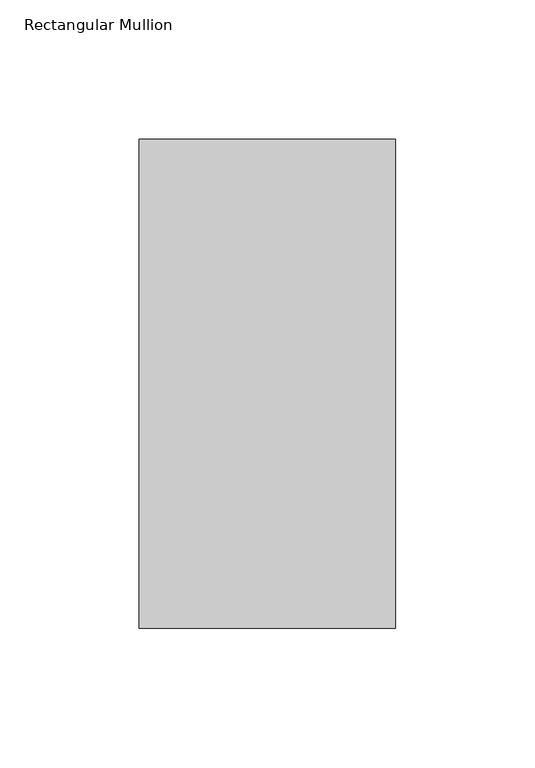
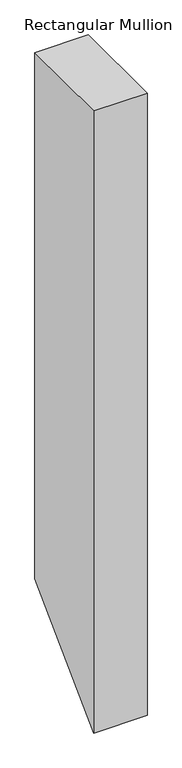
"""IFC4 building model written with IfcOpenShell, lengths in millimetres: member geometry, Rectangular Mullion."""

import ifcopenshell
import ifcopenshell.guid

model = None  # the IFC model being written
_history = None  # IfcOwnerHistory: only IFC2X3 demands one
_inside = {}  # id of a spatial element -> (the spatial element, [elements in it])
_under = {}  # id of a project, library or spatial element -> (it, [spatial elements below it])
_declared = {}  # id of a project -> (the project, [libraries it declares])
_typed = {}  # id of a type object -> (the type object, [elements of that type])
_made_of = {}  # id of a material, layer set ... -> (it, [elements and type objects made of it])


def new_model(schema):
    """Start an empty IFC model of exactly this schema.

    Asked for "IFC4X3", IfcOpenShell would pick the latest addendum, in which some entities
    have other attributes; the version numbers below select the first issue.
    IFC2X3 requires an IfcOwnerHistory on every rooted entity: one is made here for all.
    """
    global model, _history
    if schema == "IFC4X3":
        model = ifcopenshell.file(schema_version=(4, 3, 0, 0))
    else:
        model = ifcopenshell.file(schema=schema)
    _inside.clear()
    _under.clear()
    _declared.clear()
    _typed.clear()
    _made_of.clear()
    _history = None
    if model.schema == "IFC2X3":
        org = make("IfcOrganization", Name="unknown")
        user = make(
            "IfcPersonAndOrganization",
            ThePerson=make("IfcPerson", FamilyName="unknown"),
            TheOrganization=org,
        )
        app = make(
            "IfcApplication",
            ApplicationDeveloper=org,
            Version="unknown",
            ApplicationFullName="unknown",
            ApplicationIdentifier="unknown",
        )
        _history = make(
            "IfcOwnerHistory",
            OwningUser=user,
            OwningApplication=app,
            ChangeAction="ADDED",
            CreationDate=0,
        )
    return model


def make(cls, **values):
    """One entity of the class cls with the attributes given. An attribute that is None is left unset."""
    return model.create_entity(
        cls, **{name: value for name, value in values.items() if value is not None}
    )


def rooted(cls, **values):
    """An entity with a GlobalId (a new one), such as an element, a storey or a relation."""
    return make(cls, GlobalId=ifcopenshell.guid.new(), OwnerHistory=_history, **values)


def si_unit(unit_type, name, prefix=None):
    """IfcSIUnit, for example si_unit("LENGTHUNIT", "METRE", prefix="MILLI")."""
    return make("IfcSIUnit", UnitType=unit_type, Prefix=prefix, Name=name)


def assignment(units):
    """IfcUnitAssignment: the units of a project."""
    return None if units is None else make("IfcUnitAssignment", Units=units)


def point(xyz):
    """IfcCartesianPoint."""
    return None if xyz is None else make("IfcCartesianPoint", Coordinates=xyz)


def direction(xyz):
    """IfcDirection."""
    return None if xyz is None else make("IfcDirection", DirectionRatios=xyz)


def frame(location, z_axis=None, x_axis=None):
    """IfcAxis2Placement3D, a coordinate frame: its origin and axes. An axis left out is left unset."""
    return make(
        "IfcAxis2Placement3D",
        Location=point(location),
        Axis=direction(z_axis),
        RefDirection=direction(x_axis),
    )


def origin():
    """The frame at (0, 0, 0) with its axes left unset."""
    return frame((0.0, 0.0, 0.0))


def place(relative_to, where):
    """IfcLocalPlacement: puts the frame where relative to a parent placement (None: the world)."""
    return make(
        "IfcLocalPlacement", PlacementRelTo=relative_to, RelativePlacement=where
    )


def context(
    kind, dimensions, precision=None, world=None, true_north=None, identifier=None
):
    """IfcGeometricRepresentationContext, for example the 3D "Model" context."""
    return make(
        "IfcGeometricRepresentationContext",
        ContextIdentifier=identifier,
        ContextType=kind,
        CoordinateSpaceDimension=dimensions,
        Precision=precision,
        WorldCoordinateSystem=world,
        TrueNorth=true_north,
    )


def project(units=None, contexts=None):
    """IfcProject with its units and contexts."""
    return rooted(
        "IfcProject",
        Name="project",
        RepresentationContexts=contexts,
        UnitsInContext=assignment(units),
    )


def spatial(cls, under=None, at=None, **own):
    """A site, building, storey or space (cls), placed at a placement, below another one or the project."""
    s = rooted(cls, ObjectPlacement=at, **own)
    if under is not None:
        _under.setdefault(under.id(), (under, []))[1].append(s)
    return s


def polyline(points):
    """IfcPolyline through the points."""
    return make("IfcPolyline", Points=[point(p) for p in points])


def outline(outer, holes=None, kind="AREA"):
    """IfcArbitraryClosedProfileDef: a profile drawn as a closed curve; with holes, ...WithVoids."""
    if holes is None:
        return make("IfcArbitraryClosedProfileDef", ProfileType=kind, OuterCurve=outer)
    return make(
        "IfcArbitraryProfileDefWithVoids",
        ProfileType=kind,
        OuterCurve=outer,
        InnerCurves=holes,
    )


def extrude(swept, where, along, depth):
    """IfcExtrudedAreaSolid: the profile swept, set in the frame where, extruded along a direction by depth."""
    return make(
        "IfcExtrudedAreaSolid",
        SweptArea=swept,
        Position=where,
        ExtrudedDirection=direction(along),
        Depth=depth,
    )


def shape(context_of_items, identifier, shape_type, items):
    """IfcShapeRepresentation: the items that make up one representation, for example the "Body"."""
    return make(
        "IfcShapeRepresentation",
        ContextOfItems=context_of_items,
        RepresentationIdentifier=identifier,
        RepresentationType=shape_type,
        Items=items,
    )


def source(mapping_origin, context_of_items, identifier, shape_type, items):
    """IfcRepresentationMap: a shape defined once, which mapped items show again and again."""
    return make(
        "IfcRepresentationMap",
        MappingOrigin=mapping_origin,
        MappedRepresentation=shape(context_of_items, identifier, shape_type, items),
    )


def transform(
    local_origin,
    x_axis=None,
    y_axis=None,
    z_axis=None,
    scale=None,
    scale2=None,
    scale3=None,
    uniform=True,
):
    """IfcCartesianTransformationOperator3D, or its non-uniform kind. x_axis, y_axis, z_axis: its Axis1, 2, 3."""
    if uniform:
        return make(
            "IfcCartesianTransformationOperator3D",
            Axis1=direction(x_axis),
            Axis2=direction(y_axis),
            LocalOrigin=point(local_origin),
            Scale=scale,
            Axis3=direction(z_axis),
        )
    return make(
        "IfcCartesianTransformationOperator3DnonUniform",
        Axis1=direction(x_axis),
        Axis2=direction(y_axis),
        LocalOrigin=point(local_origin),
        Scale=scale,
        Axis3=direction(z_axis),
        Scale2=scale2,
        Scale3=scale3,
    )


def mapped(mapping_source, mapping_target):
    """IfcMappedItem: shows the shape of a source again, moved by a transform."""
    return make(
        "IfcMappedItem", MappingSource=mapping_source, MappingTarget=mapping_target
    )


def made_of(thing, what):
    """Note that an element or type object is made of a material, layer set ...; save() writes the relation."""
    if what is not None:
        _made_of.setdefault(what.id(), (what, []))[1].append(thing)
    return thing


def element(
    cls,
    number,
    at=None,
    inside=None,
    cuts=None,
    type_object=None,
    material=None,
    context=None,
    identifier="Body",
    shape_type=None,
    held_by="IfcProductDefinitionShape",
    body=None,
    shapes=None,
    **own,
):
    """One element of the class cls, such as IfcWall. Its Tag is "e" and its number.

    at: its placement. inside: the storey or other place that contains it. cuts: it is an
    opening in that element (IfcRelVoidsElement). A single representation is given by context,
    identifier, shape_type and body (its items); several are given by shapes. held_by: the class
    of the entity that holds the representations. save() writes the other relations.
    """
    e = rooted(cls, Tag="e%d" % number, ObjectPlacement=at, **own)
    if body is not None:
        shapes = [shape(context, identifier, shape_type, body)]
    if shapes is not None:
        e.Representation = make(held_by, Representations=shapes)
    if inside is not None:
        _inside.setdefault(inside.id(), (inside, []))[1].append(e)
    if cuts is not None:
        rooted(
            "IfcRelVoidsElement", RelatingBuildingElement=cuts, RelatedOpeningElement=e
        )
    if type_object is not None:
        _typed.setdefault(type_object.id(), (type_object, []))[1].append(e)
    return made_of(e, material)


def aggregate(whole, parts):
    """IfcRelAggregates: a whole, such as a stair, and the parts it consists of."""
    return rooted("IfcRelAggregates", RelatingObject=whole, RelatedObjects=parts)


def save(model, path):
    """Write the relations noted so far, then the file.

    IfcRelAggregates (storeys below a building ...), IfcRelContainedInSpatialStructure (elements
    in a storey), IfcRelDefinesByType, IfcRelAssociatesMaterial and IfcRelDeclares: one each for
    every whole, place, type object, material and project.
    """
    for whole, parts in _under.values():
        aggregate(whole, parts)
    for where, things in _inside.values():
        rooted(
            "IfcRelContainedInSpatialStructure",
            RelatedElements=things,
            RelatingStructure=where,
        )
    for kind, things in _typed.values():
        rooted("IfcRelDefinesByType", RelatedObjects=things, RelatingType=kind)
    for what, things in _made_of.values():
        rooted("IfcRelAssociatesMaterial", RelatedObjects=things, RelatingMaterial=what)
    for by, libraries in _declared.values():
        rooted("IfcRelDeclares", RelatingContext=by, RelatedDefinitions=libraries)
    model.write(path)


def rectangular_mullion_1a8a3a91(model_context):
    return source(origin(), model_context, "Body", "SweptSolid", [
        extrude(outline(polyline([(46.7447302, 0.0), (222.1571312, 0.0), (222.1571312, -959.2622916), (46.7447302, -1134.6746927), (46.7447302, 0.0)])), frame((-92.0876999, 0.0, 0.0), z_axis=(1.0, 0.0, 0.0), x_axis=(0.0, 1.0, 0.0)), (0.0, 0.0, 1.0), 92.0876999),
    ])


if __name__ == "__main__":
    model = new_model("IFC4")
    model_context = context("Model", 3, world=origin())
    ifc_project = project(units=[si_unit("LENGTHUNIT", "METRE", prefix="MILLI")], contexts=[model_context])
    site = spatial("IfcSite", under=ifc_project)
    building = spatial("IfcBuilding", under=site)
    placement = place(None, origin())
    rectangular_mullion_shape = rectangular_mullion_1a8a3a91(model_context)
    element("IfcMember", 1, ObjectType="Rectangular Mullion", at=placement, inside=building, context=model_context, shape_type="MappedRepresentation", body=[
        mapped(rectangular_mullion_shape, transform((0.0, 0.0, 0.0), x_axis=(1.0, 0.0, 0.0), y_axis=(0.0, 1.0, 0.0), z_axis=(0.0, 0.0, 1.0))),
    ])
    save(model, "model.ifc")
